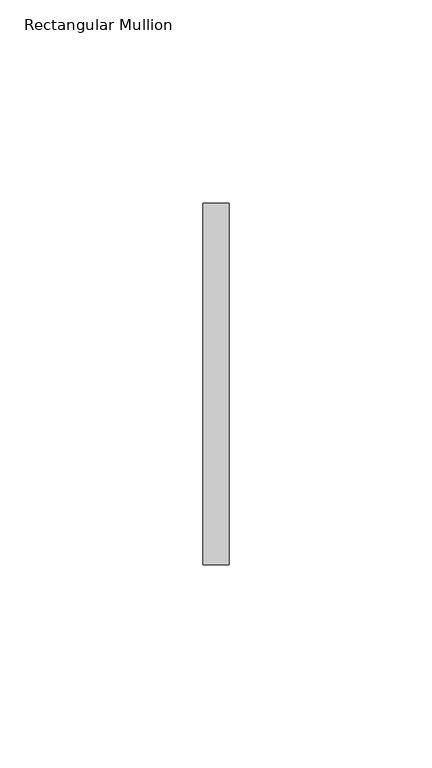
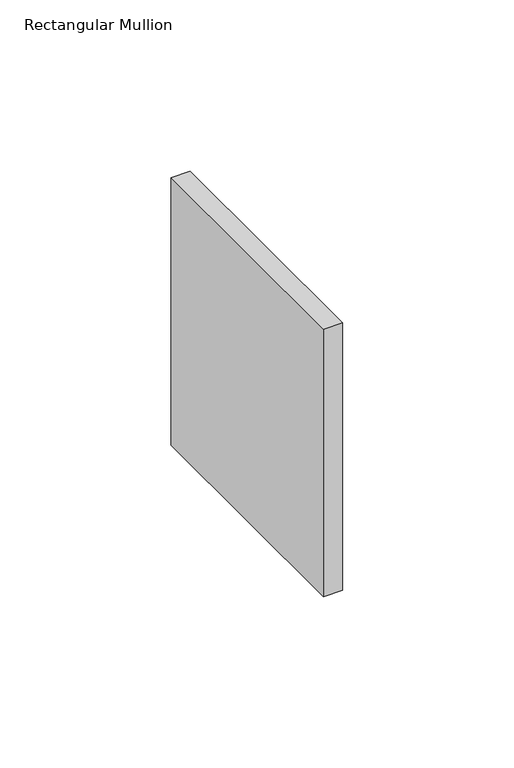
"""IFC4 building model written with IfcOpenShell, lengths in millimetres: member geometry, Rectangular Mullion."""

from ifc_helpers import new_model, si_unit, frame, origin, place, context, project, spatial, polyline, outline, extrude, source, transform, mapped, element, save


def rectangular_mullion_9266ec4b(model_context):
    return source(origin(), model_context, "Body", "SweptSolid", [
        extrude(outline(polyline([(0.0, 44.45), (0.0, -44.45), (-6.35, -44.45), (-6.35, 44.45), (0.0, 44.45)])), frame((0.0, 0.0, -95.2658663), z_axis=(0.0, 0.0, 1.0), x_axis=(1.0, 0.0, 0.0)), (0.0, 0.0, 1.0), 95.2658663),
    ])


if __name__ == "__main__":
    model = new_model("IFC4")
    model_context = context("Model", 3, world=origin())
    ifc_project = project(units=[si_unit("LENGTHUNIT", "METRE", prefix="MILLI")], contexts=[model_context])
    site = spatial("IfcSite", under=ifc_project)
    building = spatial("IfcBuilding", under=site)
    placement = place(None, origin())
    rectangular_mullion_shape = rectangular_mullion_9266ec4b(model_context)
    element("IfcMember", 1, ObjectType="Rectangular Mullion", at=placement, inside=building, context=model_context, shape_type="MappedRepresentation", body=[
        mapped(rectangular_mullion_shape, transform((0.0, 0.0, 0.0), x_axis=(1.0, 0.0, 0.0), y_axis=(0.0, 1.0, 0.0), z_axis=(0.0, 0.0, 1.0))),
    ])
    save(model, "model.ifc")
